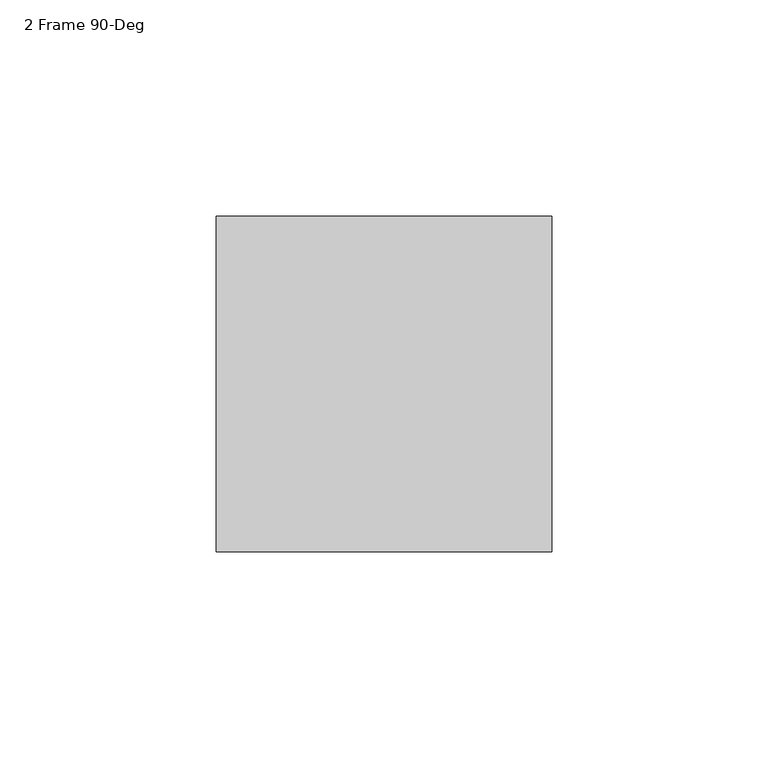
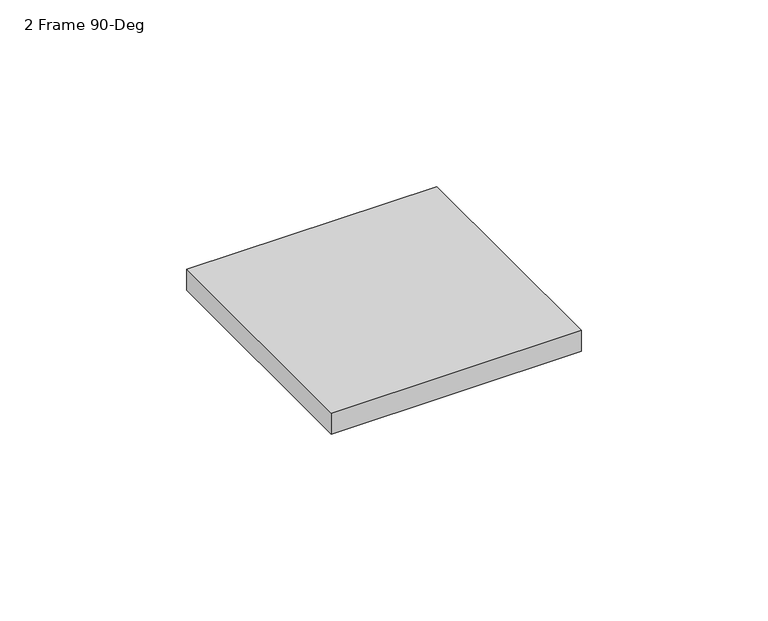
"""IFC4 building model written with IfcOpenShell, lengths in millimetres: furniture geometry, 2 Frame 90-Deg."""

from ifc_helpers import new_model, si_unit, frame, origin, place, context, project, spatial, polyline, outline, extrude, source, transform, mapped, element, save


def furniture_2_frame_90_deg_791cbb87(model_context):
    return source(origin(), model_context, "Body", "SweptSolid", [
        extrude(outline(polyline([(-283.31795, 38.7477), (-283.31795, -38.7223), (-360.78795, -38.7223), (-360.78795, 38.7477), (-283.31795, 38.7477)])), frame((0.0, 0.0, 1607.566), z_axis=(0.0, 0.0, 1.0), x_axis=(1.0, 0.0, 0.0)), (0.0, 0.0, 1.0), 6.858),
    ])


if __name__ == "__main__":
    model = new_model("IFC4")
    model_context = context("Model", 3, world=origin())
    ifc_project = project(units=[si_unit("LENGTHUNIT", "METRE", prefix="MILLI")], contexts=[model_context])
    site = spatial("IfcSite", under=ifc_project)
    building = spatial("IfcBuilding", under=site)
    placement = place(None, origin())
    furniture_2_frame_90_deg_shape = furniture_2_frame_90_deg_791cbb87(model_context)
    element("IfcFurniture", 1, ObjectType="2 Frame 90-Deg", at=placement, inside=building, context=model_context, shape_type="MappedRepresentation", body=[
        mapped(furniture_2_frame_90_deg_shape, transform((0.0, 0.0, 0.0), x_axis=(1.0, 0.0, 0.0), y_axis=(0.0, 1.0, 0.0), z_axis=(0.0, 0.0, 1.0))),
    ])
    save(model, "model.ifc")
